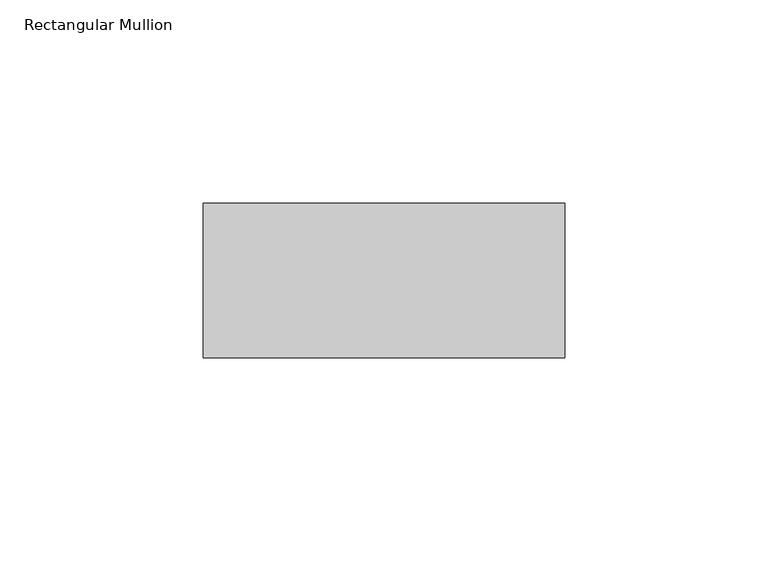
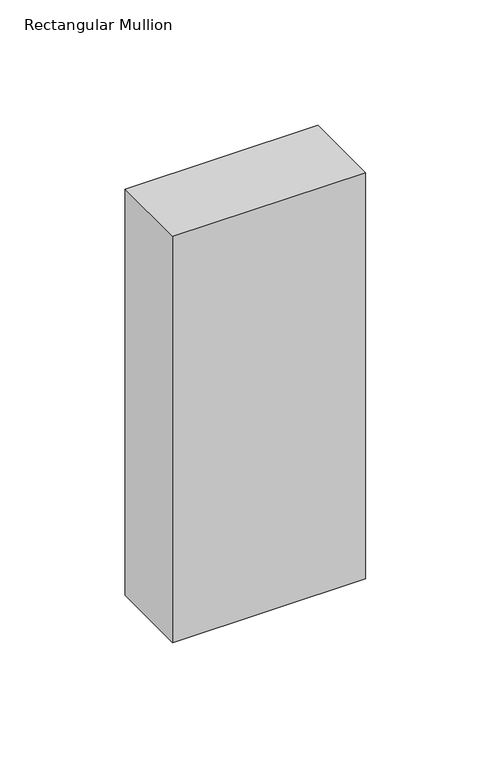
"""IFC4 building model written with IfcOpenShell, lengths in millimetres: member geometry, Rectangular Mullion."""

from ifc_helpers import new_model, si_unit, frame, origin, place, context, project, spatial, polyline, outline, extrude, source, transform, mapped, element, save


def rectangular_mullion_05a58dcf(model_context):
    return source(origin(), model_context, "Body", "SweptSolid", [
        extrude(outline(polyline([(0.0, -80.0), (0.0, -118.0), (-89.0, -118.0), (-89.0, -80.0), (0.0, -80.0)])), frame((0.0, 0.0, -198.0), z_axis=(0.0, 0.0, 1.0), x_axis=(1.0, 0.0, 0.0)), (0.0, 0.0, 1.0), 198.0),
    ])


if __name__ == "__main__":
    model = new_model("IFC4")
    model_context = context("Model", 3, world=origin())
    ifc_project = project(units=[si_unit("LENGTHUNIT", "METRE", prefix="MILLI")], contexts=[model_context])
    site = spatial("IfcSite", under=ifc_project)
    building = spatial("IfcBuilding", under=site)
    placement = place(None, origin())
    rectangular_mullion_shape = rectangular_mullion_05a58dcf(model_context)
    element("IfcMember", 1, ObjectType="Rectangular Mullion", at=placement, inside=building, context=model_context, shape_type="MappedRepresentation", body=[
        mapped(rectangular_mullion_shape, transform((0.0, 0.0, 0.0), x_axis=(1.0, 0.0, 0.0), y_axis=(0.0, 1.0, 0.0), z_axis=(0.0, 0.0, 1.0))),
    ])
    save(model, "model.ifc")
